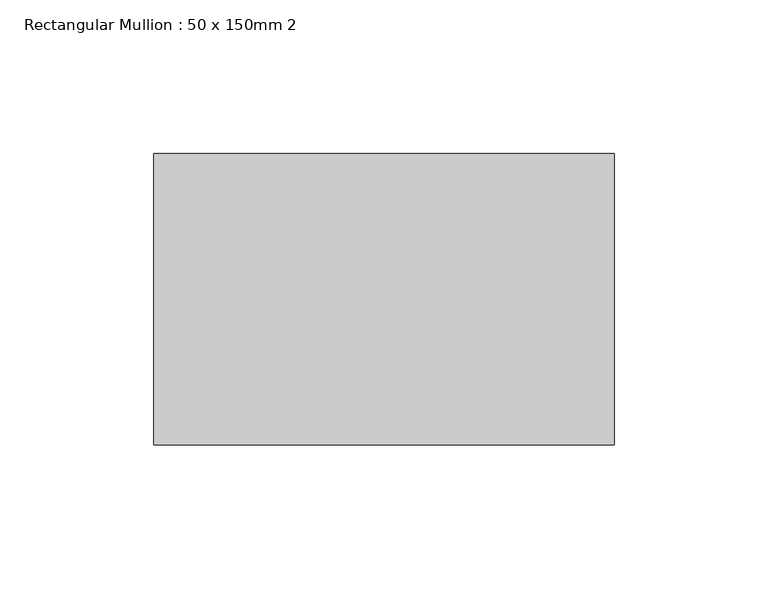
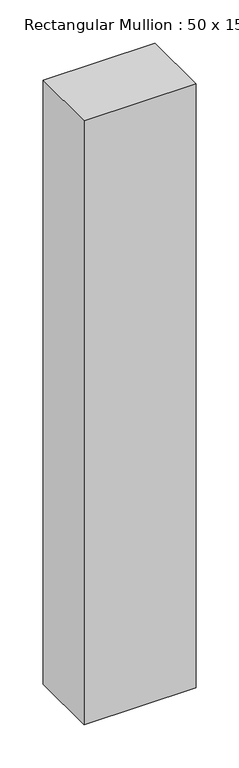
"""IFC4 building model written with IfcOpenShell, lengths in millimetres: member geometry, Rectangular Mullion : 50 x 150mm 2."""

from ifc_helpers import new_model, si_unit, frame, origin, place, context, project, spatial, polyline, outline, extrude, source, transform, mapped, element, save


def rectangular_mullion_50_x_150mm_2_61305dc7(model_context):
    return source(origin(), model_context, "Body", "SweptSolid", [
        extrude(outline(polyline([(0.0, 47.5), (0.0, -47.5), (-150.0, -47.5), (-150.0, 47.5), (0.0, 47.5)])), frame((0.0, 0.0, -854.9999997), z_axis=(0.0, 0.0, 1.0), x_axis=(1.0, 0.0, 0.0)), (0.0, 0.0, 1.0), 854.9999997),
    ])


if __name__ == "__main__":
    model = new_model("IFC4")
    model_context = context("Model", 3, world=origin())
    ifc_project = project(units=[si_unit("LENGTHUNIT", "METRE", prefix="MILLI")], contexts=[model_context])
    site = spatial("IfcSite", under=ifc_project)
    building = spatial("IfcBuilding", under=site)
    placement = place(None, origin())
    rectangular_mullion_50_x_150mm_2_shape = rectangular_mullion_50_x_150mm_2_61305dc7(model_context)
    element("IfcMember", 1, ObjectType="Rectangular Mullion : 50 x 150mm 2", at=placement, inside=building, context=model_context, shape_type="MappedRepresentation", body=[
        mapped(rectangular_mullion_50_x_150mm_2_shape, transform((0.0, 0.0, 0.0), x_axis=(1.0, 0.0, 0.0), y_axis=(0.0, 1.0, 0.0), z_axis=(0.0, 0.0, 1.0))),
    ])
    save(model, "model.ifc")
